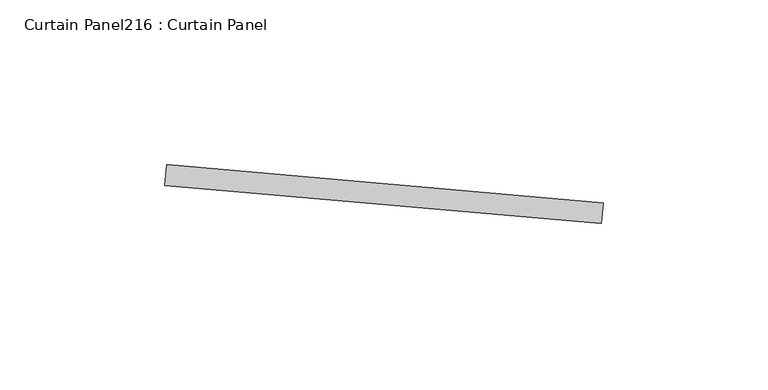
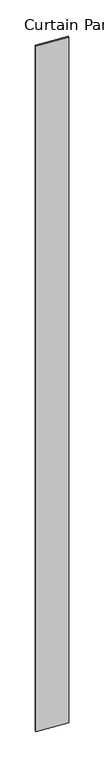
"""IFC4 building model written with IfcOpenShell, lengths in millimetres: plate geometry, Curtain Panel216 : Curtain Panel."""

import ifcopenshell
import ifcopenshell.guid

model = None  # the IFC model being written
_history = None  # IfcOwnerHistory: only IFC2X3 demands one
_inside = {}  # id of a spatial element -> (the spatial element, [elements in it])
_under = {}  # id of a project, library or spatial element -> (it, [spatial elements below it])
_declared = {}  # id of a project -> (the project, [libraries it declares])
_typed = {}  # id of a type object -> (the type object, [elements of that type])
_made_of = {}  # id of a material, layer set ... -> (it, [elements and type objects made of it])


def new_model(schema):
    """Start an empty IFC model of exactly this schema.

    Asked for "IFC4X3", IfcOpenShell would pick the latest addendum, in which some entities
    have other attributes; the version numbers below select the first issue.
    IFC2X3 requires an IfcOwnerHistory on every rooted entity: one is made here for all.
    """
    global model, _history
    if schema == "IFC4X3":
        model = ifcopenshell.file(schema_version=(4, 3, 0, 0))
    else:
        model = ifcopenshell.file(schema=schema)
    _inside.clear()
    _under.clear()
    _declared.clear()
    _typed.clear()
    _made_of.clear()
    _history = None
    if model.schema == "IFC2X3":
        org = make("IfcOrganization", Name="unknown")
        user = make(
            "IfcPersonAndOrganization",
            ThePerson=make("IfcPerson", FamilyName="unknown"),
            TheOrganization=org,
        )
        app = make(
            "IfcApplication",
            ApplicationDeveloper=org,
            Version="unknown",
            ApplicationFullName="unknown",
            ApplicationIdentifier="unknown",
        )
        _history = make(
            "IfcOwnerHistory",
            OwningUser=user,
            OwningApplication=app,
            ChangeAction="ADDED",
            CreationDate=0,
        )
    return model


def make(cls, **values):
    """One entity of the class cls with the attributes given. An attribute that is None is left unset."""
    return model.create_entity(
        cls, **{name: value for name, value in values.items() if value is not None}
    )


def rooted(cls, **values):
    """An entity with a GlobalId (a new one), such as an element, a storey or a relation."""
    return make(cls, GlobalId=ifcopenshell.guid.new(), OwnerHistory=_history, **values)


def si_unit(unit_type, name, prefix=None):
    """IfcSIUnit, for example si_unit("LENGTHUNIT", "METRE", prefix="MILLI")."""
    return make("IfcSIUnit", UnitType=unit_type, Prefix=prefix, Name=name)


def assignment(units):
    """IfcUnitAssignment: the units of a project."""
    return None if units is None else make("IfcUnitAssignment", Units=units)


def point(xyz):
    """IfcCartesianPoint."""
    return None if xyz is None else make("IfcCartesianPoint", Coordinates=xyz)


def direction(xyz):
    """IfcDirection."""
    return None if xyz is None else make("IfcDirection", DirectionRatios=xyz)


def frame(location, z_axis=None, x_axis=None):
    """IfcAxis2Placement3D, a coordinate frame: its origin and axes. An axis left out is left unset."""
    return make(
        "IfcAxis2Placement3D",
        Location=point(location),
        Axis=direction(z_axis),
        RefDirection=direction(x_axis),
    )


def origin():
    """The frame at (0, 0, 0) with its axes left unset."""
    return frame((0.0, 0.0, 0.0))


def place(relative_to, where):
    """IfcLocalPlacement: puts the frame where relative to a parent placement (None: the world)."""
    return make(
        "IfcLocalPlacement", PlacementRelTo=relative_to, RelativePlacement=where
    )


def context(
    kind, dimensions, precision=None, world=None, true_north=None, identifier=None
):
    """IfcGeometricRepresentationContext, for example the 3D "Model" context."""
    return make(
        "IfcGeometricRepresentationContext",
        ContextIdentifier=identifier,
        ContextType=kind,
        CoordinateSpaceDimension=dimensions,
        Precision=precision,
        WorldCoordinateSystem=world,
        TrueNorth=true_north,
    )


def project(units=None, contexts=None):
    """IfcProject with its units and contexts."""
    return rooted(
        "IfcProject",
        Name="project",
        RepresentationContexts=contexts,
        UnitsInContext=assignment(units),
    )


def spatial(cls, under=None, at=None, **own):
    """A site, building, storey or space (cls), placed at a placement, below another one or the project."""
    s = rooted(cls, ObjectPlacement=at, **own)
    if under is not None:
        _under.setdefault(under.id(), (under, []))[1].append(s)
    return s


def polyline(points):
    """IfcPolyline through the points."""
    return make("IfcPolyline", Points=[point(p) for p in points])


def outline(outer, holes=None, kind="AREA"):
    """IfcArbitraryClosedProfileDef: a profile drawn as a closed curve; with holes, ...WithVoids."""
    if holes is None:
        return make("IfcArbitraryClosedProfileDef", ProfileType=kind, OuterCurve=outer)
    return make(
        "IfcArbitraryProfileDefWithVoids",
        ProfileType=kind,
        OuterCurve=outer,
        InnerCurves=holes,
    )


def extrude(swept, where, along, depth):
    """IfcExtrudedAreaSolid: the profile swept, set in the frame where, extruded along a direction by depth."""
    return make(
        "IfcExtrudedAreaSolid",
        SweptArea=swept,
        Position=where,
        ExtrudedDirection=direction(along),
        Depth=depth,
    )


def shape(context_of_items, identifier, shape_type, items):
    """IfcShapeRepresentation: the items that make up one representation, for example the "Body"."""
    return make(
        "IfcShapeRepresentation",
        ContextOfItems=context_of_items,
        RepresentationIdentifier=identifier,
        RepresentationType=shape_type,
        Items=items,
    )


def source(mapping_origin, context_of_items, identifier, shape_type, items):
    """IfcRepresentationMap: a shape defined once, which mapped items show again and again."""
    return make(
        "IfcRepresentationMap",
        MappingOrigin=mapping_origin,
        MappedRepresentation=shape(context_of_items, identifier, shape_type, items),
    )


def transform(
    local_origin,
    x_axis=None,
    y_axis=None,
    z_axis=None,
    scale=None,
    scale2=None,
    scale3=None,
    uniform=True,
):
    """IfcCartesianTransformationOperator3D, or its non-uniform kind. x_axis, y_axis, z_axis: its Axis1, 2, 3."""
    if uniform:
        return make(
            "IfcCartesianTransformationOperator3D",
            Axis1=direction(x_axis),
            Axis2=direction(y_axis),
            LocalOrigin=point(local_origin),
            Scale=scale,
            Axis3=direction(z_axis),
        )
    return make(
        "IfcCartesianTransformationOperator3DnonUniform",
        Axis1=direction(x_axis),
        Axis2=direction(y_axis),
        LocalOrigin=point(local_origin),
        Scale=scale,
        Axis3=direction(z_axis),
        Scale2=scale2,
        Scale3=scale3,
    )


def mapped(mapping_source, mapping_target):
    """IfcMappedItem: shows the shape of a source again, moved by a transform."""
    return make(
        "IfcMappedItem", MappingSource=mapping_source, MappingTarget=mapping_target
    )


def made_of(thing, what):
    """Note that an element or type object is made of a material, layer set ...; save() writes the relation."""
    if what is not None:
        _made_of.setdefault(what.id(), (what, []))[1].append(thing)
    return thing


def element(
    cls,
    number,
    at=None,
    inside=None,
    cuts=None,
    type_object=None,
    material=None,
    context=None,
    identifier="Body",
    shape_type=None,
    held_by="IfcProductDefinitionShape",
    body=None,
    shapes=None,
    **own,
):
    """One element of the class cls, such as IfcWall. Its Tag is "e" and its number.

    at: its placement. inside: the storey or other place that contains it. cuts: it is an
    opening in that element (IfcRelVoidsElement). A single representation is given by context,
    identifier, shape_type and body (its items); several are given by shapes. held_by: the class
    of the entity that holds the representations. save() writes the other relations.
    """
    e = rooted(cls, Tag="e%d" % number, ObjectPlacement=at, **own)
    if body is not None:
        shapes = [shape(context, identifier, shape_type, body)]
    if shapes is not None:
        e.Representation = make(held_by, Representations=shapes)
    if inside is not None:
        _inside.setdefault(inside.id(), (inside, []))[1].append(e)
    if cuts is not None:
        rooted(
            "IfcRelVoidsElement", RelatingBuildingElement=cuts, RelatedOpeningElement=e
        )
    if type_object is not None:
        _typed.setdefault(type_object.id(), (type_object, []))[1].append(e)
    return made_of(e, material)


def aggregate(whole, parts):
    """IfcRelAggregates: a whole, such as a stair, and the parts it consists of."""
    return rooted("IfcRelAggregates", RelatingObject=whole, RelatedObjects=parts)


def save(model, path):
    """Write the relations noted so far, then the file.

    IfcRelAggregates (storeys below a building ...), IfcRelContainedInSpatialStructure (elements
    in a storey), IfcRelDefinesByType, IfcRelAssociatesMaterial and IfcRelDeclares: one each for
    every whole, place, type object, material and project.
    """
    for whole, parts in _under.values():
        aggregate(whole, parts)
    for where, things in _inside.values():
        rooted(
            "IfcRelContainedInSpatialStructure",
            RelatedElements=things,
            RelatingStructure=where,
        )
    for kind, things in _typed.values():
        rooted("IfcRelDefinesByType", RelatedObjects=things, RelatingType=kind)
    for what, things in _made_of.values():
        rooted("IfcRelAssociatesMaterial", RelatedObjects=things, RelatingMaterial=what)
    for by, libraries in _declared.values():
        rooted("IfcRelDeclares", RelatingContext=by, RelatedDefinitions=libraries)
    model.write(path)


def curtain_panel216_curtain_panel_0a2d5b05(model_context):
    return source(origin(), model_context, "Body", "SweptSolid", [
        extrude(outline(polyline([(624015.4340085, 2450.1690624), (624147.8673162, 2438.5826493), (624147.3138773, 2432.256813), (624014.8805695, 2443.8432261), (624015.4340085, 2450.1690624)])), frame((0.0, 0.0, 4959.7989371), z_axis=(0.0, 0.0, 1.0), x_axis=(1.0, 0.0, 0.0)), (0.0, 0.0, 1.0), 3048.0),
    ])


if __name__ == "__main__":
    model = new_model("IFC4")
    model_context = context("Model", 3, world=origin())
    ifc_project = project(units=[si_unit("LENGTHUNIT", "METRE", prefix="MILLI")], contexts=[model_context])
    site = spatial("IfcSite", under=ifc_project)
    building = spatial("IfcBuilding", under=site)
    placement = place(None, origin())
    curtain_panel216_curtain_panel_shape = curtain_panel216_curtain_panel_0a2d5b05(model_context)
    element("IfcPlate", 1, ObjectType="Curtain Panel216 : Curtain Panel", at=placement, inside=building, context=model_context, shape_type="MappedRepresentation", body=[
        mapped(curtain_panel216_curtain_panel_shape, transform((0.0, 0.0, 0.0), x_axis=(1.0, 0.0, 0.0), y_axis=(0.0, 1.0, 0.0), z_axis=(0.0, 0.0, 1.0))),
    ])
    save(model, "model.ifc")
